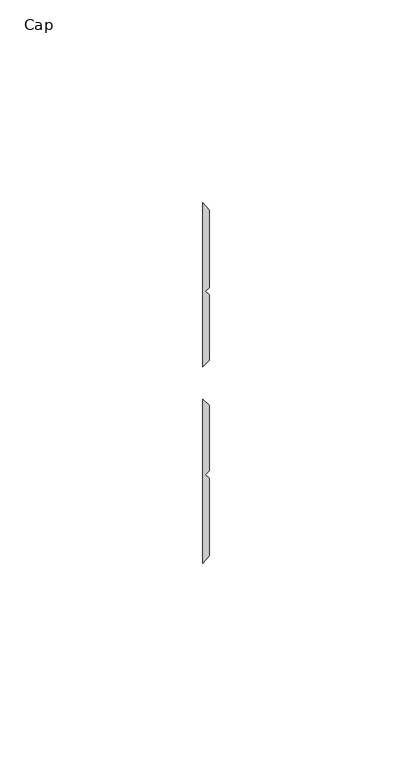
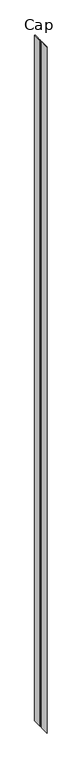
"""IFC4 building model written with IfcOpenShell, lengths in millimetres: furniture geometry, Cap."""

import ifcopenshell
import ifcopenshell.guid

model = None  # the IFC model being written
_history = None  # IfcOwnerHistory: only IFC2X3 demands one
_inside = {}  # id of a spatial element -> (the spatial element, [elements in it])
_under = {}  # id of a project, library or spatial element -> (it, [spatial elements below it])
_declared = {}  # id of a project -> (the project, [libraries it declares])
_typed = {}  # id of a type object -> (the type object, [elements of that type])
_made_of = {}  # id of a material, layer set ... -> (it, [elements and type objects made of it])


def new_model(schema):
    """Start an empty IFC model of exactly this schema.

    Asked for "IFC4X3", IfcOpenShell would pick the latest addendum, in which some entities
    have other attributes; the version numbers below select the first issue.
    IFC2X3 requires an IfcOwnerHistory on every rooted entity: one is made here for all.
    """
    global model, _history
    if schema == "IFC4X3":
        model = ifcopenshell.file(schema_version=(4, 3, 0, 0))
    else:
        model = ifcopenshell.file(schema=schema)
    _inside.clear()
    _under.clear()
    _declared.clear()
    _typed.clear()
    _made_of.clear()
    _history = None
    if model.schema == "IFC2X3":
        org = make("IfcOrganization", Name="unknown")
        user = make(
            "IfcPersonAndOrganization",
            ThePerson=make("IfcPerson", FamilyName="unknown"),
            TheOrganization=org,
        )
        app = make(
            "IfcApplication",
            ApplicationDeveloper=org,
            Version="unknown",
            ApplicationFullName="unknown",
            ApplicationIdentifier="unknown",
        )
        _history = make(
            "IfcOwnerHistory",
            OwningUser=user,
            OwningApplication=app,
            ChangeAction="ADDED",
            CreationDate=0,
        )
    return model


def make(cls, **values):
    """One entity of the class cls with the attributes given. An attribute that is None is left unset."""
    return model.create_entity(
        cls, **{name: value for name, value in values.items() if value is not None}
    )


def rooted(cls, **values):
    """An entity with a GlobalId (a new one), such as an element, a storey or a relation."""
    return make(cls, GlobalId=ifcopenshell.guid.new(), OwnerHistory=_history, **values)


def si_unit(unit_type, name, prefix=None):
    """IfcSIUnit, for example si_unit("LENGTHUNIT", "METRE", prefix="MILLI")."""
    return make("IfcSIUnit", UnitType=unit_type, Prefix=prefix, Name=name)


def assignment(units):
    """IfcUnitAssignment: the units of a project."""
    return None if units is None else make("IfcUnitAssignment", Units=units)


def point(xyz):
    """IfcCartesianPoint."""
    return None if xyz is None else make("IfcCartesianPoint", Coordinates=xyz)


def direction(xyz):
    """IfcDirection."""
    return None if xyz is None else make("IfcDirection", DirectionRatios=xyz)


def frame(location, z_axis=None, x_axis=None):
    """IfcAxis2Placement3D, a coordinate frame: its origin and axes. An axis left out is left unset."""
    return make(
        "IfcAxis2Placement3D",
        Location=point(location),
        Axis=direction(z_axis),
        RefDirection=direction(x_axis),
    )


def origin():
    """The frame at (0, 0, 0) with its axes left unset."""
    return frame((0.0, 0.0, 0.0))


def origin_with_axes():
    """The frame at (0, 0, 0) with the z axis (0, 0, 1) and the x axis (1, 0, 0) written out."""
    return frame((0.0, 0.0, 0.0), z_axis=(0.0, 0.0, 1.0), x_axis=(1.0, 0.0, 0.0))


def place(relative_to, where):
    """IfcLocalPlacement: puts the frame where relative to a parent placement (None: the world)."""
    return make(
        "IfcLocalPlacement", PlacementRelTo=relative_to, RelativePlacement=where
    )


def context(
    kind, dimensions, precision=None, world=None, true_north=None, identifier=None
):
    """IfcGeometricRepresentationContext, for example the 3D "Model" context."""
    return make(
        "IfcGeometricRepresentationContext",
        ContextIdentifier=identifier,
        ContextType=kind,
        CoordinateSpaceDimension=dimensions,
        Precision=precision,
        WorldCoordinateSystem=world,
        TrueNorth=true_north,
    )


def project(units=None, contexts=None):
    """IfcProject with its units and contexts."""
    return rooted(
        "IfcProject",
        Name="project",
        RepresentationContexts=contexts,
        UnitsInContext=assignment(units),
    )


def spatial(cls, under=None, at=None, **own):
    """A site, building, storey or space (cls), placed at a placement, below another one or the project."""
    s = rooted(cls, ObjectPlacement=at, **own)
    if under is not None:
        _under.setdefault(under.id(), (under, []))[1].append(s)
    return s


def polyline(points):
    """IfcPolyline through the points."""
    return make("IfcPolyline", Points=[point(p) for p in points])


def outline(outer, holes=None, kind="AREA"):
    """IfcArbitraryClosedProfileDef: a profile drawn as a closed curve; with holes, ...WithVoids."""
    if holes is None:
        return make("IfcArbitraryClosedProfileDef", ProfileType=kind, OuterCurve=outer)
    return make(
        "IfcArbitraryProfileDefWithVoids",
        ProfileType=kind,
        OuterCurve=outer,
        InnerCurves=holes,
    )


def extrude(swept, where, along, depth):
    """IfcExtrudedAreaSolid: the profile swept, set in the frame where, extruded along a direction by depth."""
    return make(
        "IfcExtrudedAreaSolid",
        SweptArea=swept,
        Position=where,
        ExtrudedDirection=direction(along),
        Depth=depth,
    )


def shape(context_of_items, identifier, shape_type, items):
    """IfcShapeRepresentation: the items that make up one representation, for example the "Body"."""
    return make(
        "IfcShapeRepresentation",
        ContextOfItems=context_of_items,
        RepresentationIdentifier=identifier,
        RepresentationType=shape_type,
        Items=items,
    )


def source(mapping_origin, context_of_items, identifier, shape_type, items):
    """IfcRepresentationMap: a shape defined once, which mapped items show again and again."""
    return make(
        "IfcRepresentationMap",
        MappingOrigin=mapping_origin,
        MappedRepresentation=shape(context_of_items, identifier, shape_type, items),
    )


def transform(
    local_origin,
    x_axis=None,
    y_axis=None,
    z_axis=None,
    scale=None,
    scale2=None,
    scale3=None,
    uniform=True,
):
    """IfcCartesianTransformationOperator3D, or its non-uniform kind. x_axis, y_axis, z_axis: its Axis1, 2, 3."""
    if uniform:
        return make(
            "IfcCartesianTransformationOperator3D",
            Axis1=direction(x_axis),
            Axis2=direction(y_axis),
            LocalOrigin=point(local_origin),
            Scale=scale,
            Axis3=direction(z_axis),
        )
    return make(
        "IfcCartesianTransformationOperator3DnonUniform",
        Axis1=direction(x_axis),
        Axis2=direction(y_axis),
        LocalOrigin=point(local_origin),
        Scale=scale,
        Axis3=direction(z_axis),
        Scale2=scale2,
        Scale3=scale3,
    )


def mapped(mapping_source, mapping_target):
    """IfcMappedItem: shows the shape of a source again, moved by a transform."""
    return make(
        "IfcMappedItem", MappingSource=mapping_source, MappingTarget=mapping_target
    )


def made_of(thing, what):
    """Note that an element or type object is made of a material, layer set ...; save() writes the relation."""
    if what is not None:
        _made_of.setdefault(what.id(), (what, []))[1].append(thing)
    return thing


def element(
    cls,
    number,
    at=None,
    inside=None,
    cuts=None,
    type_object=None,
    material=None,
    context=None,
    identifier="Body",
    shape_type=None,
    held_by="IfcProductDefinitionShape",
    body=None,
    shapes=None,
    **own,
):
    """One element of the class cls, such as IfcWall. Its Tag is "e" and its number.

    at: its placement. inside: the storey or other place that contains it. cuts: it is an
    opening in that element (IfcRelVoidsElement). A single representation is given by context,
    identifier, shape_type and body (its items); several are given by shapes. held_by: the class
    of the entity that holds the representations. save() writes the other relations.
    """
    e = rooted(cls, Tag="e%d" % number, ObjectPlacement=at, **own)
    if body is not None:
        shapes = [shape(context, identifier, shape_type, body)]
    if shapes is not None:
        e.Representation = make(held_by, Representations=shapes)
    if inside is not None:
        _inside.setdefault(inside.id(), (inside, []))[1].append(e)
    if cuts is not None:
        rooted(
            "IfcRelVoidsElement", RelatingBuildingElement=cuts, RelatedOpeningElement=e
        )
    if type_object is not None:
        _typed.setdefault(type_object.id(), (type_object, []))[1].append(e)
    return made_of(e, material)


def aggregate(whole, parts):
    """IfcRelAggregates: a whole, such as a stair, and the parts it consists of."""
    return rooted("IfcRelAggregates", RelatingObject=whole, RelatedObjects=parts)


def save(model, path):
    """Write the relations noted so far, then the file.

    IfcRelAggregates (storeys below a building ...), IfcRelContainedInSpatialStructure (elements
    in a storey), IfcRelDefinesByType, IfcRelAssociatesMaterial and IfcRelDeclares: one each for
    every whole, place, type object, material and project.
    """
    for whole, parts in _under.values():
        aggregate(whole, parts)
    for where, things in _inside.values():
        rooted(
            "IfcRelContainedInSpatialStructure",
            RelatedElements=things,
            RelatingStructure=where,
        )
    for kind, things in _typed.values():
        rooted("IfcRelDefinesByType", RelatedObjects=things, RelatingType=kind)
    for what, things in _made_of.values():
        rooted("IfcRelAssociatesMaterial", RelatedObjects=things, RelatingMaterial=what)
    for by, libraries in _declared.values():
        rooted("IfcRelDeclares", RelatingContext=by, RelatedDefinitions=libraries)
    model.write(path)


def cap_a57deb82(model_context):
    return source(origin(), model_context, "Body", "SweptSolid", [
        extrude(outline(polyline([(29.9771531, 19.470555), (29.9771531, 59.951805), (31.5646531, 58.0797005), (31.5646531, 39.033865), (30.6563205, 38.1255324), (31.5646531, 37.2171998), (31.5646531, 21.058055), (29.9771531, 19.470555)])), origin_with_axes(), (0.0, 0.0, 1.0), 3048.0),
        extrude(outline(polyline([(29.9771531, 11.533055), (31.5646531, 9.945555), (31.5646531, -6.2135897), (30.6563205, -7.1219223), (31.5646531, -8.0302549), (31.5646531, -27.0760904), (29.9771531, -28.948195), (29.9771531, 11.533055)])), origin_with_axes(), (0.0, 0.0, 1.0), 3048.0),
    ])


if __name__ == "__main__":
    model = new_model("IFC4")
    model_context = context("Model", 3, world=origin())
    ifc_project = project(units=[si_unit("LENGTHUNIT", "METRE", prefix="MILLI")], contexts=[model_context])
    site = spatial("IfcSite", under=ifc_project)
    building = spatial("IfcBuilding", under=site)
    placement = place(None, origin())
    cap_shape = cap_a57deb82(model_context)
    element("IfcFurniture", 1, ObjectType="Cap", at=placement, inside=building, context=model_context, shape_type="MappedRepresentation", body=[
        mapped(cap_shape, transform((0.0, 0.0, 0.0), x_axis=(1.0, 0.0, 0.0), y_axis=(0.0, 1.0, 0.0), z_axis=(0.0, 0.0, 1.0))),
    ])
    save(model, "model.ifc")
